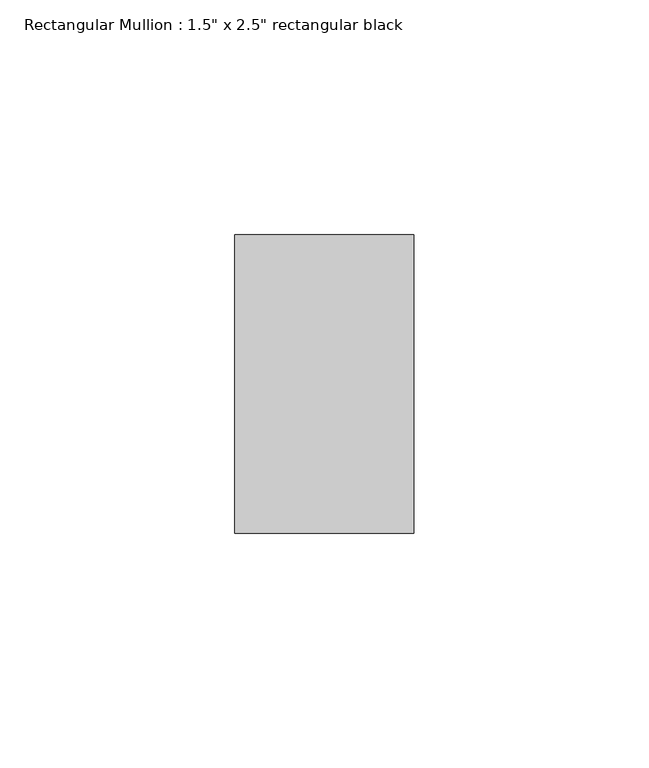
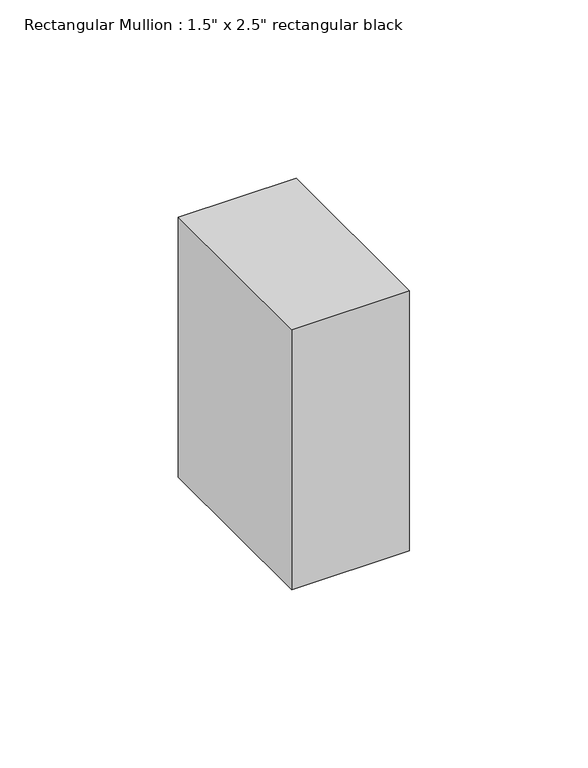
"""IFC4 building model written with IfcOpenShell, lengths in millimetres: member geometry."""

from ifc_helpers import new_model, si_unit, frame, origin, place, context, project, spatial, polyline, outline, extrude, source, transform, mapped, element, save


def member_74ef1ac7(model_context):
    return source(origin(), model_context, "Body", "SweptSolid", [
        extrude(outline(polyline([(0.0, 31.75), (0.0, -31.75), (-38.1, -31.75), (-38.1, 31.75), (0.0, 31.75)])), frame((0.0, 0.0, -88.8999997), z_axis=(0.0, 0.0, 1.0), x_axis=(1.0, 0.0, 0.0)), (0.0, 0.0, 1.0), 88.8999997),
    ])


if __name__ == "__main__":
    model = new_model("IFC4")
    model_context = context("Model", 3, world=origin())
    ifc_project = project(units=[si_unit("LENGTHUNIT", "METRE", prefix="MILLI")], contexts=[model_context])
    site = spatial("IfcSite", under=ifc_project)
    building = spatial("IfcBuilding", under=site)
    placement = place(None, origin())
    member_shape = member_74ef1ac7(model_context)
    element("IfcMember", 1, ObjectType="Rectangular Mullion : 1.5\" x 2.5\" rectangular black", at=placement, inside=building, context=model_context, shape_type="MappedRepresentation", body=[
        mapped(member_shape, transform((0.0, 0.0, 0.0), x_axis=(1.0, 0.0, 0.0), y_axis=(0.0, 1.0, 0.0), z_axis=(0.0, 0.0, 1.0))),
    ])
    save(model, "model.ifc")
